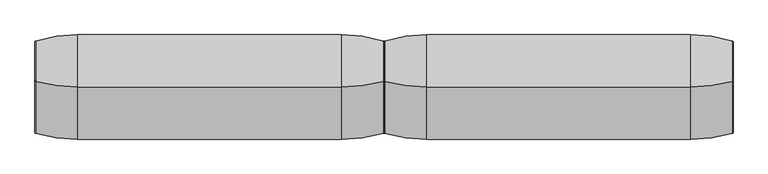
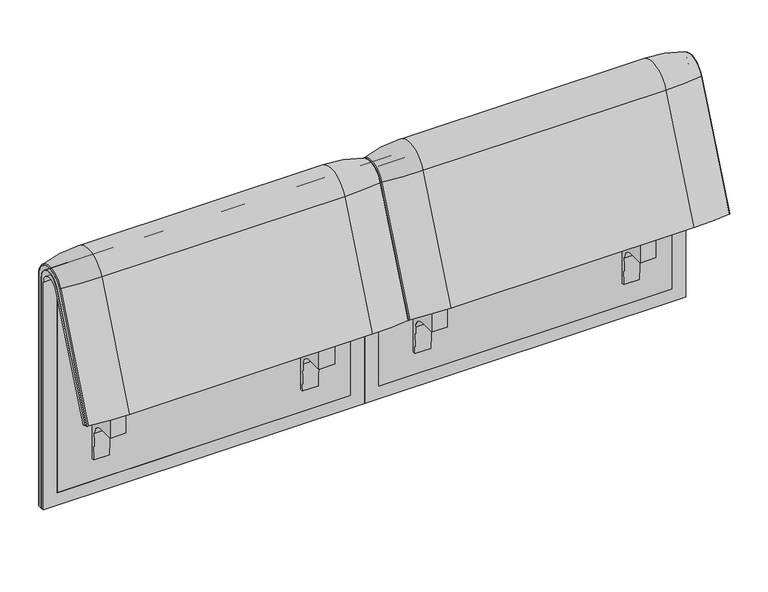
"""IFC4 building model written with IfcOpenShell, lengths in millimetres: furniture geometry."""

from ifc_helpers import new_model, si_unit, point, frame, frame_2d, origin, place, context, project, spatial, polyline, circle_curve, ellipse_curve, trimmed, segment, composite_curve, outline, extrude, source, transform, mapped, element, save
from ifc_brep_helpers import plane_surface, cylinder_surface, revolved_surface, advanced_brep


def furniture_b413fe92(model_context):
    return source(origin(), model_context, "Body", "SolidModel", [
        advanced_brep(
        [(1224.0215056, 351.0000061, 101.8476716), (1224.0215056, 359.7858817, 101.8476716), (1224.0215056, 359.7858817, 720.3417731), (1224.0215056, 292.4403877, 733.7122262), (1224.0215056, 170.1966807, 437.98305), (1224.0215056, 175.0204081, 435.9866665), (1224.0215056, 296.2458652, 723.9869215), (1224.0215056, 351.0000061, 712.9272623), (408.0402568, 351.0000061, 101.8476716), (408.0402568, 351.0000061, 712.9272623), (408.0402568, 296.2720241, 723.9759107), (408.0402568, 175.0204081, 435.9866665), (408.0402568, 170.1966807, 437.98305), (408.0402568, 292.4403877, 733.7122262), (408.0402568, 359.7858817, 720.3417731), (408.0402568, 359.7858817, 101.8476716), (1189.1049615, 292.4403877, 733.7122262), (1189.1049615, 176.0980387, 452.25948), (442.9237127, 176.0980387, 452.25948), (442.9237127, 292.4403877, 733.7122262), (442.9237127, 296.2458652, 723.9869215), (442.9237127, 181.0136548, 450.2250668), (1189.1049615, 181.0136548, 450.2250668), (1189.1049615, 296.2458652, 723.9869215), (1189.1049615, 351.0000061, 712.9272623), (1189.1049615, 351.0000061, 135.3766997), (442.9237127, 351.0000061, 135.3766997), (442.9237127, 351.0000061, 712.9272623), (442.9237127, 359.7858817, 720.3417731), (442.9237127, 359.7858817, 135.3766997), (1189.1049615, 359.7858817, 135.3766997), (1189.1049615, 359.7858817, 720.3417731)],
        [
            (0, 1),
            (1, 2),
            (2, 3, circle_curve(frame((1224.0215056, 324.7858817, 720.3417731), z_axis=(1.0, 0.0, 0.0), x_axis=(0.0, -1.0, 0.0)), 35.0)),
            (3, 4),
            (4, 5),
            (5, 6),
            (6, 7, circle_curve(frame((1224.0215056, 322.520748, 712.9272623), z_axis=(-1.0, 0.0, 0.0), x_axis=(0.0, -1.0, 0.0)), 28.479258)),
            (7, 0),
            (8, 9),
            (9, 10, circle_curve(frame((408.0402568, 322.520748, 712.9272623), z_axis=(1.0, 0.0, 0.0), x_axis=(0.0, -1.0, 0.0)), 28.479258)),
            (10, 11),
            (11, 12),
            (12, 13),
            (13, 14, circle_curve(frame((408.0402568, 324.7858817, 720.3417731), z_axis=(-1.0, 0.0, 0.0), x_axis=(0.0, -1.0, 0.0)), 35.0)),
            (14, 15),
            (15, 8),
            (3, 16),
            (16, 17),
            (17, 18),
            (18, 19),
            (19, 13),
            (12, 4),
            (11, 5),
            (10, 20),
            (20, 21),
            (21, 22),
            (22, 23),
            (23, 6),
            (7, 24),
            (24, 25),
            (25, 26),
            (26, 27),
            (27, 9),
            (8, 0),
            (15, 1),
            (14, 28),
            (28, 29),
            (29, 30),
            (30, 31),
            (31, 2),
            (31, 16, circle_curve(frame((1189.1049615, 324.7858817, 720.3417731), z_axis=(1.0, 0.0, 0.0), x_axis=(0.0, -1.0, 0.0)), 35.0)),
            (19, 28, circle_curve(frame((442.9237127, 324.7858817, 720.3417731), z_axis=(-1.0, 0.0, 0.0), x_axis=(0.0, -1.0, 0.0)), 35.0)),
            (23, 24, circle_curve(frame((1189.1049615, 322.520748, 712.9272623), z_axis=(-1.0, 0.0, 0.0), x_axis=(0.0, -1.0, 0.0)), 28.479258)),
            (27, 20, circle_curve(frame((442.9237127, 322.520748, 712.9272623), z_axis=(1.0, 0.0, 0.0), x_axis=(0.0, -1.0, 0.0)), 28.479258)),
            (22, 17),
            (30, 25),
            (26, 29),
            (18, 21),
        ],
        [
            plane_surface(frame((1224.0215056, 359.7858817, 101.8476716), z_axis=(1.0, 0.0, 0.0), x_axis=(0.0, 1.0, 0.0))),
            plane_surface(frame((408.0402568, 359.7858817, 101.8476716), z_axis=(-1.0, 0.0, 0.0), x_axis=(0.0, -1.0, 0.0))),
            plane_surface(frame((1224.0215056, 292.4403877, 733.7122262), z_axis=(0.0, -0.9241569717933176, 0.3820129467515535), x_axis=(-1.0, 0.0, 0.0))),
            plane_surface(frame((1224.0215056, 170.1966807, 437.98305), z_axis=(0.0, -0.38241039441983893, -0.9239925812687368), x_axis=(-1.0, 0.0, 0.0))),
            plane_surface(frame((1224.0215056, 175.0204081, 435.9866665), z_axis=(0.0, 0.921678643444566, -0.3879542218073993), x_axis=(-1.0, 0.0, 0.0))),
            plane_surface(frame((1224.0215056, 351.0000061, 712.9272623), z_axis=(0.0, -1.0, 0.0), x_axis=(-1.0, 0.0, 0.0))),
            plane_surface(frame((1224.0215056, 351.0000061, 101.8476716), z_axis=(0.0, 0.0, -1.0), x_axis=(-1.0, 0.0, 0.0))),
            plane_surface(frame((1224.0215056, 359.7858817, 101.8476716), z_axis=(0.0, 1.0, 0.0), x_axis=(-1.0, 0.0, 0.0))),
            cylinder_surface(frame((408.0402568, 324.7858817, 720.3417731), z_axis=(1.0, 0.0, 0.0), x_axis=(0.0, -1.0, 0.0)), 35.0),
            revolved_surface(polyline([(1189.1049615, 294.04149, 712.9272623), (1224.0215056, 294.04149, 712.9272623)]), (408.0402568, 322.520748, 712.9272623), (-1.0, 0.0, 0.0)),
            revolved_surface(polyline([(408.0402568, 294.04149, 712.9272623), (442.9237127, 294.04149, 712.9272623)]), (408.0402568, 322.520748, 712.9272623), (-1.0, 0.0, 0.0)),
            plane_surface(frame((1189.1049615, 359.7858817, 135.3766997), z_axis=(-1.0, 0.0, 0.0), x_axis=(0.0, 1.0, 0.0))),
            plane_surface(frame((442.9237127, 359.7858817, 135.3766997), z_axis=(1.0, 0.0, 0.0), x_axis=(0.0, -1.0, 0.0))),
            plane_surface(frame((1189.1049615, 166.9120641, 456.0612553), z_axis=(0.0, 0.38241039441982605, 0.9239925812687422), x_axis=(-1.0, 0.0, 0.0))),
            plane_surface(frame((1189.1049615, 344.7858817, 135.3766997), z_axis=(0.0, 0.0, 1.0), x_axis=(-1.0, 0.0, 0.0))),
        ],
        [
            (0, [[1, 2, 3, 4, 5, 6, 7, 8]]),
            (1, [[9, 10, 11, 12, 13, 14, 15, 16]]),
            (2, [[-4, 17, 18, 19, 20, 21, -13, 22]]),
            (3, [[-5, -22, -12, 23]]),
            (4, [[-6, -23, -11, 24, 25, 26, 27, 28]]),
            (5, [[-8, 29, 30, 31, 32, 33, -9, 34]]),
            (6, [[-1, -34, -16, 35]]),
            (7, [[-2, -35, -15, 36, 37, 38, 39, 40]]),
            (8, [[-3, -40, 41, -17]]),
            (8, [[-14, -21, 42, -36]]),
            (9, [[-7, -28, 43, -29]]),
            (10, [[-10, -33, 44, -24]]),
            (11, [[45, -18, -41, -39, 46, -30, -43, -27]]),
            (12, [[47, -37, -42, -20, 48, -25, -44, -32]]),
            (13, [[-45, -26, -48, -19]]),
            (14, [[-46, -38, -47, -31]]),
        ],
    ),
        advanced_brep(
        [(1189.1049615, 351.0000061, 135.3766997), (1189.1049615, 359.7858817, 135.3766997), (1189.1049615, 359.7858817, 720.3417731), (1189.1049615, 292.4403877, 733.7122262), (1189.1049615, 176.0980387, 452.25948), (1189.1049615, 181.0136548, 450.2250668), (1189.1049615, 296.2458652, 723.9869215), (1189.1049615, 351.0000061, 712.9272623), (442.9237127, 351.0000061, 135.3766997), (442.9237127, 351.0000061, 712.9272623), (442.9237127, 296.2720241, 723.9759107), (442.9237127, 181.0136548, 450.2250668), (442.9237127, 176.0980387, 452.25948), (442.9237127, 292.4403877, 733.7122262), (442.9237127, 359.7858817, 720.3417731), (442.9237127, 359.7858817, 135.3766997)],
        [
            (0, 1),
            (1, 2),
            (2, 3, circle_curve(frame((1189.1049615, 324.7858817, 720.3417731), z_axis=(1.0, 0.0, 0.0), x_axis=(0.0, -1.0, 0.0)), 35.0)),
            (3, 4),
            (4, 5),
            (5, 6),
            (6, 7, circle_curve(frame((1189.1049615, 322.520748, 712.9272623), z_axis=(-1.0, 0.0, 0.0), x_axis=(0.0, -1.0, 0.0)), 28.479258)),
            (7, 0),
            (8, 9),
            (9, 10, circle_curve(frame((442.9237127, 322.520748, 712.9272623), z_axis=(1.0, 0.0, 0.0), x_axis=(0.0, -1.0, 0.0)), 28.479258)),
            (10, 11),
            (11, 12),
            (12, 13),
            (13, 14, circle_curve(frame((442.9237127, 324.7858817, 720.3417731), z_axis=(-1.0, 0.0, 0.0), x_axis=(0.0, -1.0, 0.0)), 35.0)),
            (14, 15),
            (15, 8),
            (3, 13),
            (12, 4),
            (11, 5),
            (10, 6),
            (7, 9),
            (8, 0),
            (15, 1),
            (14, 2),
        ],
        [
            plane_surface(frame((1189.1049615, 359.7858817, 135.3766997), z_axis=(1.0, 0.0, 0.0), x_axis=(0.0, 1.0, 0.0))),
            plane_surface(frame((442.9237127, 359.7858817, 135.3766997), z_axis=(-1.0, 0.0, 0.0), x_axis=(0.0, -1.0, 0.0))),
            plane_surface(frame((1189.1049615, 292.4403877, 733.7122262), z_axis=(0.0, -0.9241569717933176, 0.3820129467515535), x_axis=(-1.0, 0.0, 0.0))),
            plane_surface(frame((1189.1049615, 176.0980387, 452.25948), z_axis=(0.0, -0.38241039441982716, -0.9239925812687417), x_axis=(-1.0, 0.0, 0.0))),
            plane_surface(frame((1189.1049615, 181.0136548, 450.2250668), z_axis=(0.0, 0.921678643444566, -0.3879542218073993), x_axis=(-1.0, 0.0, 0.0))),
            plane_surface(frame((1189.1049615, 351.0000061, 712.9272623), z_axis=(0.0, -1.0, 0.0), x_axis=(-1.0, 0.0, 0.0))),
            plane_surface(frame((1189.1049615, 351.0000061, 135.3766997), z_axis=(0.0, 0.0, -1.0), x_axis=(-1.0, 0.0, 0.0))),
            plane_surface(frame((1189.1049615, 359.7858817, 135.3766997), z_axis=(0.0, 1.0, 0.0), x_axis=(-1.0, 0.0, 0.0))),
            cylinder_surface(frame((442.9237127, 324.7858817, 720.3417731), z_axis=(1.0, 0.0, 0.0), x_axis=(0.0, -1.0, 0.0)), 35.0),
            revolved_surface(polyline([(442.9237127, 294.04149, 712.9272623), (1189.1049615, 294.04149, 712.9272623)]), (442.9237127, 322.520748, 712.9272623), (-1.0, 0.0, 0.0)),
        ],
        [
            (0, [[1, 2, 3, 4, 5, 6, 7, 8]]),
            (1, [[9, 10, 11, 12, 13, 14, 15, 16]]),
            (2, [[-4, 17, -13, 18]]),
            (3, [[-5, -18, -12, 19]]),
            (4, [[-6, -19, -11, 20]]),
            (5, [[-8, 21, -9, 22]]),
            (6, [[-1, -22, -16, 23]]),
            (7, [[-2, -23, -15, 24]]),
            (8, [[-3, -24, -14, -17]]),
            (9, [[-7, -20, -10, -21]]),
        ],
    ),
        extrude(outline(composite_curve([segment(trimmed(circle_curve(frame_2d((305.0000061, 379.9223263)), 30.0), [point((305.0000061, 349.9223263))], [point((335.0000061, 379.9223263))], True, "CARTESIAN"), True, "CONTINUOUS"), segment(polyline([(335.0000061, 379.9223263), (335.0000061, 515.0657595)]), True, "CONTINUOUS"), segment(trimmed(circle_curve(frame_2d((305.0000061, 515.0657595)), 30.0), [point((335.0000061, 515.0657595))], [point((316.7219399, 542.6809051))], True, "CARTESIAN"), True, "CONTINUOUS"), segment(polyline([(316.7219399, 542.6809051), (257.4911714, 567.8228747)]), True, "CONTINUOUS"), segment(trimmed(circle_curve(frame_2d((251.6302045, 554.0153019)), 15.0), [point((257.4911714, 567.8228747))], [point((238.0355877, 560.3545758))], True, "CARTESIAN"), True, "CONTINUOUS"), segment(polyline([(238.0355877, 560.3545758), (222.2725218, 526.5505721), (213.7507451, 529.5682915), (296.3054528, 724.0549949)]), True, "CONTINUOUS"), segment(trimmed(circle_curve(frame_2d((322.520748, 712.9272623)), 28.479258), [point((296.3054528, 724.0549949))], [point((351.0000061, 712.9272623))], False, "CARTESIAN"), True, "CONTINUOUS"), segment(polyline([(351.0000061, 712.9272623), (351.0000061, 197.0551771), (343.3075759, 197.0551771), (339.4064861, 271.492405)]), True, "CONTINUOUS"), segment(trimmed(circle_curve(frame_2d((309.4476, 269.9223263)), 30.0), [point((339.4064861, 271.492405))], [point((309.4476, 299.9223263))], True, "CARTESIAN"), True, "CONTINUOUS"), segment(polyline([(309.4476, 299.9223263), (270.0000061, 299.9223263), (270.0000061, 359.9223263), (275.0000061, 359.9223263)]), True, "CONTINUOUS"), segment(trimmed(circle_curve(frame_2d((285.0000061, 359.9223263)), 10.0), [point((275.0000061, 359.9223263))], [point((285.0000061, 349.9223263))], True, "CARTESIAN"), True, "CONTINUOUS"), segment(polyline([(285.0000061, 349.9223263), (305.0000061, 349.9223263)]), True, "CONTINUOUS")], self_intersect=False), holes=[composite_curve([segment(polyline([(337.5000061, 576.3274105), (337.5000061, 716.7072663)]), True, "CONTINUOUS"), segment(trimmed(circle_curve(frame_2d((322.5000061, 716.7072663)), 15.0), [point((337.5000061, 716.7072663))], [point((308.9053893, 723.0465402))], True, "CARTESIAN"), True, "CONTINUOUS"), segment(polyline([(308.9053893, 723.0465402), (253.6256191, 604.4986904)]), True, "CONTINUOUS"), segment(trimmed(circle_curve(frame_2d((271.7517748, 596.0463251)), 20.0), [point((253.6256191, 604.4986904))], [point((265.0756376, 577.1934953))], True, "CARTESIAN"), True, "CONTINUOUS"), segment(polyline([(265.0756376, 577.1934953), (314.1406626, 559.8186587)]), True, "CONTINUOUS"), segment(trimmed(circle_curve(frame_2d((319.9867182, 576.3274105)), 17.5132879), [point((314.1406626, 559.8186587))], [point((337.5000061, 576.3274105))], True, "CARTESIAN"), True, "CONTINUOUS")], self_intersect=False)]), frame((1061.0091339, 0.0, 0.0), z_axis=(1.0, 0.0, 0.0), x_axis=(0.0, 1.0, 0.0)), (0.0, 0.0, 1.0), 40.0),
        advanced_brep(
        [(1124.0215056, 388.2902376, 100.5089435), (1221.8828771, 373.93893, 100.5089435), (1224.0215056, 371.0652495, 100.5089435), (1224.0215056, 359.7858817, 100.5089435), (408.0071685, 359.7858817, 100.5089435), (408.0071685, 371.0652495, 100.5089435), (410.1457971, 373.93893, 100.5089435), (508.0071685, 388.2902376, 100.5089435), (508.0071685, 388.2902376, 720.3417731), (1124.0215056, 388.2902376, 720.3417731), (1221.8828771, 373.93893, 720.3417731), (1224.0215056, 371.0652495, 720.3417731), (1224.0215056, 282.0164812, 738.0210907), (1224.0215056, 159.7723383, 442.2908598), (1224.0215056, 170.1962447, 437.9819952), (1224.0215056, 292.4403877, 733.7122262), (1224.0215056, 359.7858817, 720.3417731), (408.0071685, 359.7858817, 720.3417731), (1124.0215056, 143.8537454, 448.8710282), (508.0071685, 143.8537454, 448.8710282), (410.1457971, 157.1166065, 443.3886429), (408.0071685, 159.7723383, 442.2908598), (408.0071685, 170.1962447, 437.9819952), (1221.8828771, 157.1166065, 443.3886429), (1124.0215056, 266.0978884, 744.6012592), (508.0071685, 266.0978884, 744.6012592), (1221.8828771, 279.3607494, 739.1188739), (408.0071685, 292.4403877, 733.7122262), (408.0071685, 282.0164812, 738.0210907), (408.0071685, 371.0652495, 720.3417731), (410.1457971, 373.93893, 720.3417731), (410.1457971, 279.3607494, 739.1188739)],
        [
            (0, 1, circle_curve(frame((1124.0215056, 47.4569043, 100.5089435), z_axis=(0.0, 0.0, -1.0), x_axis=(0.0, -1.0, 0.0)), 340.8333333)),
            (1, 2, circle_curve(frame((1221.0215056, 371.0652495, 100.5089435), z_axis=(0.0, 0.0, -1.0), x_axis=(1.0, 0.0, 0.0)), 3.0)),
            (2, 3),
            (3, 4),
            (4, 5),
            (5, 6, circle_curve(frame((411.0071685, 371.0652495, 100.5089435), z_axis=(0.0, 0.0, -1.0), x_axis=(-1.0, 0.0, 0.0)), 3.0)),
            (6, 7, circle_curve(frame((508.0071685, 47.4569043, 100.5089435), z_axis=(0.0, 0.0, -1.0), x_axis=(0.0, -1.0, 0.0)), 340.8333333)),
            (7, 0),
            (7, 8),
            (8, 9),
            (9, 0),
            (9, 10, circle_curve(frame((1124.0215056, 47.4569043, 720.3417731), z_axis=(0.0, 0.0, -1.0), x_axis=(0.0, -1.0, 0.0)), 340.8333333)),
            (10, 1),
            (10, 11, circle_curve(frame((1221.0215056, 371.0652495, 720.3417731), z_axis=(0.0, 0.0, -1.0), x_axis=(1.0, 0.0, 0.0)), 3.0)),
            (11, 2),
            (11, 12, circle_curve(frame((1224.0215056, 324.7858817, 720.3417731), z_axis=(1.0, 0.0, 0.0), x_axis=(0.0, 1.0, 0.0)), 46.2793679)),
            (12, 13),
            (13, 14),
            (14, 15),
            (15, 16, circle_curve(frame((1224.0215056, 324.7858817, 720.3417731), z_axis=(-1.0, 0.0, 0.0), x_axis=(0.0, 1.0, 0.0)), 35.0)),
            (16, 3),
            (16, 17),
            (17, 4),
            (18, 19),
            (19, 20, circle_curve(frame((508.0071685, 458.8372467, 318.6682822), z_axis=(0.0, -0.38201294675155345, -0.9241569717933176), x_axis=(0.0, 0.9241569717933176, -0.38201294675155345)), 340.8333333)),
            (20, 21, circle_curve(frame((411.0071685, 159.7723383, 442.2908598), z_axis=(0.0, -0.38201294675155345, -0.9241569717933176), x_axis=(-1.0, 0.0, 0.0)), 3.0)),
            (21, 22),
            (22, 14),
            (13, 23, circle_curve(frame((1221.0215056, 159.7723383, 442.2908598), z_axis=(0.0, -0.38201294675155345, -0.9241569717933176), x_axis=(1.0, 0.0, 0.0)), 3.0)),
            (23, 18, circle_curve(frame((1124.0215056, 458.8372467, 318.6682822), z_axis=(0.0, -0.38201294675155345, -0.9241569717933176), x_axis=(0.0, 0.9241569717933176, -0.38201294675155345)), 340.8333333)),
            (24, 9, circle_curve(frame((1124.0215056, 324.7858817, 720.3417731), z_axis=(-1.0, 0.0, 0.0), x_axis=(0.0, 1.0, 0.0)), 63.5043559)),
            (8, 25, circle_curve(frame((508.0071685, 324.7858817, 720.3417731), z_axis=(1.0, 0.0, 0.0), x_axis=(0.0, 1.0, 0.0)), 63.5043559)),
            (25, 24),
            (26, 10, circle_curve(frame((1221.8828771, 324.7858817, 720.3417731), z_axis=(-1.0, 0.0, 0.0), x_axis=(0.0, 1.0, 0.0)), 49.1530483)),
            (24, 26, circle_curve(frame((1124.0215056, 581.0813896, 614.3985132), z_axis=(0.0, 0.382012946751556, 0.9241569717933165), x_axis=(0.0, 0.9241569717933165, -0.382012946751556)), 340.8333333)),
            (26, 12, circle_curve(frame((1221.0215056, 282.0164812, 738.0210907), z_axis=(0.0, 0.3820129467515552, 0.9241569717933168), x_axis=(1.0, 0.0, 0.0)), 3.0)),
            (27, 17, circle_curve(frame((408.0071685, 324.7858817, 720.3417731), z_axis=(-1.0, 0.0, 0.0), x_axis=(0.0, 1.0, 0.0)), 35.0)),
            (15, 27),
            (25, 19),
            (18, 24),
            (23, 26),
            (22, 27),
            (21, 28),
            (28, 29, circle_curve(frame((408.0071685, 324.7858817, 720.3417731), z_axis=(-1.0, 0.0, 0.0), x_axis=(0.0, 1.0, 0.0)), 46.2793679)),
            (29, 5),
            (29, 30, circle_curve(frame((411.0071685, 371.0652495, 720.3417731), z_axis=(0.0, 0.0, -1.0), x_axis=(-1.0, 0.0, 0.0)), 3.0)),
            (30, 6),
            (30, 8, circle_curve(frame((508.0071685, 47.4569043, 720.3417731), z_axis=(0.0, 0.0, -1.0), x_axis=(0.0, -1.0, 0.0)), 340.8333333)),
            (31, 30, circle_curve(frame((410.1457971, 324.7858817, 720.3417731), z_axis=(-1.0, 0.0, 0.0), x_axis=(0.0, 1.0, 0.0)), 49.1530483)),
            (28, 31, circle_curve(frame((411.0071685, 282.0164812, 738.0210907), z_axis=(0.0, 0.3820129467515544, 0.9241569717933172), x_axis=(-1.0, 0.0, 0.0)), 3.0)),
            (31, 25, circle_curve(frame((508.0071685, 581.0813896, 614.3985132), z_axis=(0.0, 0.3820129467515532, 0.9241569717933177), x_axis=(0.0, 0.9241569717933177, -0.3820129467515532)), 340.8333333)),
            (20, 31),
        ],
        [
            plane_surface(frame((820.7793603, 359.7858817, 100.5089435), z_axis=(0.0, 0.0, -1.0), x_axis=(1.0, 0.0, 0.0))),
            plane_surface(frame((508.0071685, 388.2902376, 100.5089435), z_axis=(0.0, 1.0, 0.0), x_axis=(0.0, 0.0, 1.0))),
            cylinder_surface(frame((1124.0215056, 47.4569043, 100.5089435), z_axis=(0.0, 0.0, -1.0), x_axis=(0.0, -1.0, 0.0)), 340.8333333),
            cylinder_surface(frame((1221.0215056, 371.0652495, 100.5089435), z_axis=(0.0, 0.0, -1.0), x_axis=(1.0, 0.0, 0.0)), 3.0),
            plane_surface(frame((1224.0215056, 371.0652495, 100.5089435), z_axis=(1.0, 0.0, 0.0), x_axis=(0.0, 0.0, 1.0))),
            plane_surface(frame((1224.0215056, 359.7858817, 100.5089435), z_axis=(0.0, -1.0, 0.0), x_axis=(0.0, 0.0, 1.0))),
            plane_surface(frame((820.7793603, 170.1962447, 437.9819952), z_axis=(0.0, -0.38201294675155345, -0.9241569717933176), x_axis=(1.0, 0.0, 0.0))),
            cylinder_surface(frame((820.7793603, 324.7858817, 720.3417731), z_axis=(1.0, 0.0, 0.0), x_axis=(0.0, 1.0, 0.0)), 63.5043559),
            revolved_surface(trimmed(ellipse_curve(frame((1124.0215056, 47.4569043, 720.3417731), z_axis=(0.0, 0.0, -1.0), x_axis=(0.0, -1.0, 0.0)), 340.8333333, 340.8333333), [point((1124.0215056, 388.2902376, 720.3417731))], [point((1221.8828771, 373.93893, 720.3417731))], True, "CARTESIAN"), (820.7793603, 324.7858817, 720.3417731), (1.0, 0.0, 0.0)),
            revolved_surface(trimmed(ellipse_curve(frame((1221.0215056, 371.0652495, 720.3417731), z_axis=(0.0, 0.0, -1.0), x_axis=(1.0, 0.0, 0.0)), 3.0, 3.0), [point((1221.8828771, 373.93893, 720.3417731))], [point((1224.0215056, 371.0652495, 720.3417731))], True, "CARTESIAN"), (820.7793603, 324.7858817, 720.3417731), (1.0, 0.0, 0.0)),
            revolved_surface(polyline([(1224.0215056, 359.7858817, 720.3417731), (408.0071685, 359.7858817, 720.3417731)]), (820.7793603, 324.7858817, 720.3417731), (1.0, 0.0, 0.0)),
            plane_surface(frame((508.0071685, 266.0978884, 744.6012592), z_axis=(0.0, -0.9241569717933176, 0.38201294675155356), x_axis=(0.0, -0.38201294675155356, -0.9241569717933176))),
            cylinder_surface(frame((1124.0215056, 581.0813896, 614.3985132), z_axis=(0.0, 0.38201294675155345, 0.9241569717933176), x_axis=(0.0, 0.9241569717933176, -0.38201294675155345)), 340.8333333),
            cylinder_surface(frame((1221.0215056, 282.0164812, 738.0210907), z_axis=(0.0, 0.38201294675155345, 0.9241569717933176), x_axis=(1.0, 0.0, 0.0)), 3.0),
            plane_surface(frame((1224.0215056, 292.4403877, 733.7122262), z_axis=(0.0, 0.9241569717933176, -0.38201294675155356), x_axis=(0.0, -0.38201294675155356, -0.9241569717933176))),
            plane_surface(frame((408.0071685, 359.7858817, 100.5089435), z_axis=(-1.0, 0.0, 0.0), x_axis=(0.0, 0.0, 1.0))),
            cylinder_surface(frame((411.0071685, 371.0652495, 100.5089435), z_axis=(0.0, 0.0, -1.0), x_axis=(-1.0, 0.0, 0.0)), 3.0),
            cylinder_surface(frame((508.0071685, 47.4569043, 100.5089435), z_axis=(0.0, 0.0, -1.0), x_axis=(0.0, -1.0, 0.0)), 340.8333333),
            revolved_surface(trimmed(ellipse_curve(frame((411.0071685, 371.0652495, 720.3417731), z_axis=(0.0, 0.0, -1.0), x_axis=(-1.0, 0.0, 0.0)), 3.0, 3.0), [point((408.0071685, 371.0652495, 720.3417731))], [point((410.1457971, 373.93893, 720.3417731))], True, "CARTESIAN"), (820.7793603, 324.7858817, 720.3417731), (1.0, 0.0, 0.0)),
            revolved_surface(trimmed(ellipse_curve(frame((508.0071685, 47.4569043, 720.3417731), z_axis=(0.0, 0.0, -1.0), x_axis=(0.0, -1.0, 0.0)), 340.8333333, 340.8333333), [point((410.1457971, 373.93893, 720.3417731))], [point((508.0071685, 388.2902376, 720.3417731))], True, "CARTESIAN"), (820.7793603, 324.7858817, 720.3417731), (1.0, 0.0, 0.0)),
            cylinder_surface(frame((411.0071685, 282.0164812, 738.0210907), z_axis=(0.0, 0.38201294675155345, 0.9241569717933176), x_axis=(-1.0, 0.0, 0.0)), 3.0),
            cylinder_surface(frame((508.0071685, 581.0813896, 614.3985132), z_axis=(0.0, 0.38201294675155345, 0.9241569717933176), x_axis=(0.0, 0.9241569717933176, -0.38201294675155345)), 340.8333333),
        ],
        [
            (0, [[1, 2, 3, 4, 5, 6, 7, 8]]),
            (1, [[-8, 9, 10, 11]]),
            (2, [[-1, -11, 12, 13]]),
            (3, [[-2, -13, 14, 15]]),
            (4, [[-3, -15, 16, 17, 18, 19, 20, 21]]),
            (5, [[-4, -21, 22, 23]]),
            (6, [[24, 25, 26, 27, 28, -18, 29, 30]]),
            (7, [[31, -10, 32, 33]]),
            (8, [[34, -12, -31, 35]]),
            (9, [[-16, -14, -34, 36]]),
            (10, [[37, -22, -20, 38]]),
            (11, [[-33, 39, -24, 40]]),
            (12, [[-35, -40, -30, 41]]),
            (13, [[-36, -41, -29, -17]]),
            (14, [[-38, -19, -28, 42]]),
            (15, [[-5, -23, -37, -42, -27, 43, 44, 45]]),
            (16, [[-6, -45, 46, 47]]),
            (17, [[-7, -47, 48, -9]]),
            (18, [[49, -46, -44, 50]]),
            (19, [[-32, -48, -49, 51]]),
            (20, [[-50, -43, -26, 52]]),
            (21, [[-51, -52, -25, -39]]),
        ],
    ),
        extrude(outline(composite_curve([segment(trimmed(circle_curve(frame_2d((305.0000061, 379.9223263)), 30.0), [point((305.0000061, 349.9223263))], [point((335.0000061, 379.9223263))], True, "CARTESIAN"), True, "CONTINUOUS"), segment(polyline([(335.0000061, 379.9223263), (335.0000061, 515.0657595)]), True, "CONTINUOUS"), segment(trimmed(circle_curve(frame_2d((305.0000061, 515.0657595)), 30.0), [point((335.0000061, 515.0657595))], [point((316.7219399, 542.6809051))], True, "CARTESIAN"), True, "CONTINUOUS"), segment(polyline([(316.7219399, 542.6809051), (257.4911714, 567.8228747)]), True, "CONTINUOUS"), segment(trimmed(circle_curve(frame_2d((251.6302045, 554.0153019)), 15.0), [point((257.4911714, 567.8228747))], [point((238.0355877, 560.3545758))], True, "CARTESIAN"), True, "CONTINUOUS"), segment(polyline([(238.0355877, 560.3545758), (222.2725218, 526.5505721), (213.7507451, 529.5682915), (296.3054528, 724.0549949)]), True, "CONTINUOUS"), segment(trimmed(circle_curve(frame_2d((322.520748, 712.9272623)), 28.479258), [point((296.3054528, 724.0549949))], [point((351.0000061, 712.9272623))], False, "CARTESIAN"), True, "CONTINUOUS"), segment(polyline([(351.0000061, 712.9272623), (351.0000061, 197.0551771), (343.3075759, 197.0551771), (339.4064861, 271.492405)]), True, "CONTINUOUS"), segment(trimmed(circle_curve(frame_2d((309.4476, 269.9223263)), 30.0), [point((339.4064861, 271.492405))], [point((309.4476, 299.9223263))], True, "CARTESIAN"), True, "CONTINUOUS"), segment(polyline([(309.4476, 299.9223263), (270.0000061, 299.9223263), (270.0000061, 359.9223263), (275.0000061, 359.9223263)]), True, "CONTINUOUS"), segment(trimmed(circle_curve(frame_2d((285.0000061, 359.9223263)), 10.0), [point((275.0000061, 359.9223263))], [point((285.0000061, 349.9223263))], True, "CARTESIAN"), True, "CONTINUOUS"), segment(polyline([(285.0000061, 349.9223263), (305.0000061, 349.9223263)]), True, "CONTINUOUS")], self_intersect=False), holes=[composite_curve([segment(polyline([(337.5000061, 576.3274105), (337.5000061, 716.7072663)]), True, "CONTINUOUS"), segment(trimmed(circle_curve(frame_2d((322.5000061, 716.7072663)), 15.0), [point((337.5000061, 716.7072663))], [point((308.9053893, 723.0465402))], True, "CARTESIAN"), True, "CONTINUOUS"), segment(polyline([(308.9053893, 723.0465402), (253.6256191, 604.4986904)]), True, "CONTINUOUS"), segment(trimmed(circle_curve(frame_2d((271.7517748, 596.0463251)), 20.0), [point((253.6256191, 604.4986904))], [point((265.0756376, 577.1934953))], True, "CARTESIAN"), True, "CONTINUOUS"), segment(polyline([(265.0756376, 577.1934953), (314.1406626, 559.8186587)]), True, "CONTINUOUS"), segment(trimmed(circle_curve(frame_2d((319.9867182, 576.3274105)), 17.5132879), [point((314.1406626, 559.8186587))], [point((337.5000061, 576.3274105))], True, "CARTESIAN"), True, "CONTINUOUS")], self_intersect=False)]), frame((531.0195403, 0.0, 0.0), z_axis=(1.0, 0.0, 0.0), x_axis=(0.0, 1.0, 0.0)), (0.0, 0.0, 1.0), 40.0),
        advanced_brep(
        [(408.0071685, 351.0000061, 101.8476716), (408.0071685, 359.7858817, 101.8476716), (408.0071685, 359.7858817, 720.3417731), (408.0071685, 292.4403877, 733.7122262), (408.0071685, 170.1966807, 437.98305), (408.0071685, 175.0204081, 435.9866665), (408.0071685, 296.2458652, 723.9869215), (408.0071685, 351.0000061, 712.9272623), (-407.9740803, 351.0000061, 101.8476716), (-407.9740803, 351.0000061, 712.9272623), (-407.9740803, 296.2720241, 723.9759107), (-407.9740803, 175.0204081, 435.9866665), (-407.9740803, 170.1966807, 437.98305), (-407.9740803, 292.4403877, 733.7122262), (-407.9740803, 359.7858817, 720.3417731), (-407.9740803, 359.7858817, 101.8476716), (373.0906244, 292.4403877, 733.7122262), (373.0906244, 176.0980387, 452.25948), (-373.0906244, 176.0980387, 452.25948), (-373.0906244, 292.4403877, 733.7122262), (-373.0906244, 296.2458652, 723.9869215), (-373.0906244, 181.0136548, 450.2250668), (373.0906244, 181.0136548, 450.2250668), (373.0906244, 296.2458652, 723.9869215), (373.0906244, 351.0000061, 712.9272623), (373.0906244, 351.0000061, 135.3766997), (-373.0906244, 351.0000061, 135.3766997), (-373.0906244, 351.0000061, 712.9272623), (-373.0906244, 359.7858817, 720.3417731), (-373.0906244, 359.7858817, 135.3766997), (373.0906244, 359.7858817, 135.3766997), (373.0906244, 359.7858817, 720.3417731)],
        [
            (0, 1),
            (1, 2),
            (2, 3, circle_curve(frame((408.0071685, 324.7858817, 720.3417731), z_axis=(1.0, 0.0, 0.0), x_axis=(0.0, -1.0, 0.0)), 35.0)),
            (3, 4),
            (4, 5),
            (5, 6),
            (6, 7, circle_curve(frame((408.0071685, 322.520748, 712.9272623), z_axis=(-1.0, 0.0, 0.0), x_axis=(0.0, -1.0, 0.0)), 28.479258)),
            (7, 0),
            (8, 9),
            (9, 10, circle_curve(frame((-407.9740803, 322.520748, 712.9272623), z_axis=(1.0, 0.0, 0.0), x_axis=(0.0, -1.0, 0.0)), 28.479258)),
            (10, 11),
            (11, 12),
            (12, 13),
            (13, 14, circle_curve(frame((-407.9740803, 324.7858817, 720.3417731), z_axis=(-1.0, 0.0, 0.0), x_axis=(0.0, -1.0, 0.0)), 35.0)),
            (14, 15),
            (15, 8),
            (3, 16),
            (16, 17),
            (17, 18),
            (18, 19),
            (19, 13),
            (12, 4),
            (11, 5),
            (10, 20),
            (20, 21),
            (21, 22),
            (22, 23),
            (23, 6),
            (7, 24),
            (24, 25),
            (25, 26),
            (26, 27),
            (27, 9),
            (8, 0),
            (15, 1),
            (14, 28),
            (28, 29),
            (29, 30),
            (30, 31),
            (31, 2),
            (31, 16, circle_curve(frame((373.0906244, 324.7858817, 720.3417731), z_axis=(1.0, 0.0, 0.0), x_axis=(0.0, -1.0, 0.0)), 35.0)),
            (19, 28, circle_curve(frame((-373.0906244, 324.7858817, 720.3417731), z_axis=(-1.0, 0.0, 0.0), x_axis=(0.0, -1.0, 0.0)), 35.0)),
            (23, 24, circle_curve(frame((373.0906244, 322.520748, 712.9272623), z_axis=(-1.0, 0.0, 0.0), x_axis=(0.0, -1.0, 0.0)), 28.479258)),
            (27, 20, circle_curve(frame((-373.0906244, 322.520748, 712.9272623), z_axis=(1.0, 0.0, 0.0), x_axis=(0.0, -1.0, 0.0)), 28.479258)),
            (22, 17),
            (30, 25),
            (26, 29),
            (18, 21),
        ],
        [
            plane_surface(frame((408.0071685, 359.7858817, 101.8476716), z_axis=(1.0, 0.0, 0.0), x_axis=(0.0, 1.0, 0.0))),
            plane_surface(frame((-407.9740803, 359.7858817, 101.8476716), z_axis=(-1.0, 0.0, 0.0), x_axis=(0.0, -1.0, 0.0))),
            plane_surface(frame((408.0071685, 292.4403877, 733.7122262), z_axis=(0.0, -0.9241569717933176, 0.3820129467515535), x_axis=(-1.0, 0.0, 0.0))),
            plane_surface(frame((408.0071685, 170.1966807, 437.98305), z_axis=(0.0, -0.38241039441983893, -0.9239925812687368), x_axis=(-1.0, 0.0, 0.0))),
            plane_surface(frame((408.0071685, 175.0204081, 435.9866665), z_axis=(0.0, 0.921678643444566, -0.3879542218073993), x_axis=(-1.0, 0.0, 0.0))),
            plane_surface(frame((408.0071685, 351.0000061, 712.9272623), z_axis=(0.0, -1.0, 0.0), x_axis=(-1.0, 0.0, 0.0))),
            plane_surface(frame((408.0071685, 351.0000061, 101.8476716), z_axis=(0.0, 0.0, -1.0), x_axis=(-1.0, 0.0, 0.0))),
            plane_surface(frame((408.0071685, 359.7858817, 101.8476716), z_axis=(0.0, 1.0, 0.0), x_axis=(-1.0, 0.0, 0.0))),
            cylinder_surface(frame((-407.9740803, 324.7858817, 720.3417731), z_axis=(1.0, 0.0, 0.0), x_axis=(0.0, -1.0, 0.0)), 35.0),
            revolved_surface(polyline([(373.09062439999997, 294.04149, 712.9272623), (408.0071685, 294.04149, 712.9272623)]), (-407.9740803, 322.520748, 712.9272623), (-1.0, 0.0, 0.0)),
            revolved_surface(polyline([(-407.9740803, 294.04149, 712.9272623), (-373.0906244, 294.04149, 712.9272623)]), (-407.9740803, 322.520748, 712.9272623), (-1.0, 0.0, 0.0)),
            plane_surface(frame((373.0906244, 359.7858817, 135.3766997), z_axis=(-1.0, 0.0, 0.0), x_axis=(0.0, 1.0, 0.0))),
            plane_surface(frame((-373.0906244, 359.7858817, 135.3766997), z_axis=(1.0, 0.0, 0.0), x_axis=(0.0, -1.0, 0.0))),
            plane_surface(frame((373.0906244, 166.9120641, 456.0612553), z_axis=(0.0, 0.38241039441982605, 0.9239925812687422), x_axis=(-1.0, 0.0, 0.0))),
            plane_surface(frame((373.0906244, 344.7858817, 135.3766997), z_axis=(0.0, 0.0, 1.0), x_axis=(-1.0, 0.0, 0.0))),
        ],
        [
            (0, [[1, 2, 3, 4, 5, 6, 7, 8]]),
            (1, [[9, 10, 11, 12, 13, 14, 15, 16]]),
            (2, [[-4, 17, 18, 19, 20, 21, -13, 22]]),
            (3, [[-5, -22, -12, 23]]),
            (4, [[-6, -23, -11, 24, 25, 26, 27, 28]]),
            (5, [[-8, 29, 30, 31, 32, 33, -9, 34]]),
            (6, [[-1, -34, -16, 35]]),
            (7, [[-2, -35, -15, 36, 37, 38, 39, 40]]),
            (8, [[-3, -40, 41, -17]]),
            (8, [[-14, -21, 42, -36]]),
            (9, [[-7, -28, 43, -29]]),
            (10, [[-10, -33, 44, -24]]),
            (11, [[45, -18, -41, -39, 46, -30, -43, -27]]),
            (12, [[47, -37, -42, -20, 48, -25, -44, -32]]),
            (13, [[-45, -26, -48, -19]]),
            (14, [[-46, -38, -47, -31]]),
        ],
    ),
        advanced_brep(
        [(373.0906244, 351.0000061, 135.3766997), (373.0906244, 359.7858817, 135.3766997), (373.0906244, 359.7858817, 720.3417731), (373.0906244, 292.4403877, 733.7122262), (373.0906244, 176.0980387, 452.25948), (373.0906244, 181.0136548, 450.2250668), (373.0906244, 296.2458652, 723.9869215), (373.0906244, 351.0000061, 712.9272623), (-373.0906244, 351.0000061, 135.3766997), (-373.0906244, 351.0000061, 712.9272623), (-373.0906244, 296.2720241, 723.9759107), (-373.0906244, 181.0136548, 450.2250668), (-373.0906244, 176.0980387, 452.25948), (-373.0906244, 292.4403877, 733.7122262), (-373.0906244, 359.7858817, 720.3417731), (-373.0906244, 359.7858817, 135.3766997)],
        [
            (0, 1),
            (1, 2),
            (2, 3, circle_curve(frame((373.0906244, 324.7858817, 720.3417731), z_axis=(1.0, 0.0, 0.0), x_axis=(0.0, -1.0, 0.0)), 35.0)),
            (3, 4),
            (4, 5),
            (5, 6),
            (6, 7, circle_curve(frame((373.0906244, 322.520748, 712.9272623), z_axis=(-1.0, 0.0, 0.0), x_axis=(0.0, -1.0, 0.0)), 28.479258)),
            (7, 0),
            (8, 9),
            (9, 10, circle_curve(frame((-373.0906244, 322.520748, 712.9272623), z_axis=(1.0, 0.0, 0.0), x_axis=(0.0, -1.0, 0.0)), 28.479258)),
            (10, 11),
            (11, 12),
            (12, 13),
            (13, 14, circle_curve(frame((-373.0906244, 324.7858817, 720.3417731), z_axis=(-1.0, 0.0, 0.0), x_axis=(0.0, -1.0, 0.0)), 35.0)),
            (14, 15),
            (15, 8),
            (3, 13),
            (12, 4),
            (11, 5),
            (10, 6),
            (7, 9),
            (8, 0),
            (15, 1),
            (14, 2),
        ],
        [
            plane_surface(frame((373.0906244, 359.7858817, 135.3766997), z_axis=(1.0, 0.0, 0.0), x_axis=(0.0, 1.0, 0.0))),
            plane_surface(frame((-373.0906244, 359.7858817, 135.3766997), z_axis=(-1.0, 0.0, 0.0), x_axis=(0.0, -1.0, 0.0))),
            plane_surface(frame((373.0906244, 292.4403877, 733.7122262), z_axis=(0.0, -0.9241569717933176, 0.3820129467515535), x_axis=(-1.0, 0.0, 0.0))),
            plane_surface(frame((373.0906244, 176.0980387, 452.25948), z_axis=(0.0, -0.38241039441982716, -0.9239925812687417), x_axis=(-1.0, 0.0, 0.0))),
            plane_surface(frame((373.0906244, 181.0136548, 450.2250668), z_axis=(0.0, 0.921678643444566, -0.3879542218073993), x_axis=(-1.0, 0.0, 0.0))),
            plane_surface(frame((373.0906244, 351.0000061, 712.9272623), z_axis=(0.0, -1.0, 0.0), x_axis=(-1.0, 0.0, 0.0))),
            plane_surface(frame((373.0906244, 351.0000061, 135.3766997), z_axis=(0.0, 0.0, -1.0), x_axis=(-1.0, 0.0, 0.0))),
            plane_surface(frame((373.0906244, 359.7858817, 135.3766997), z_axis=(0.0, 1.0, 0.0), x_axis=(-1.0, 0.0, 0.0))),
            cylinder_surface(frame((-373.0906244, 324.7858817, 720.3417731), z_axis=(1.0, 0.0, 0.0), x_axis=(0.0, -1.0, 0.0)), 35.0),
            revolved_surface(polyline([(-373.0906244, 294.04149, 712.9272623), (373.0906244, 294.04149, 712.9272623)]), (-373.0906244, 322.520748, 712.9272623), (-1.0, 0.0, 0.0)),
        ],
        [
            (0, [[1, 2, 3, 4, 5, 6, 7, 8]]),
            (1, [[9, 10, 11, 12, 13, 14, 15, 16]]),
            (2, [[-4, 17, -13, 18]]),
            (3, [[-5, -18, -12, 19]]),
            (4, [[-6, -19, -11, 20]]),
            (5, [[-8, 21, -9, 22]]),
            (6, [[-1, -22, -16, 23]]),
            (7, [[-2, -23, -15, 24]]),
            (8, [[-3, -24, -14, -17]]),
            (9, [[-7, -20, -10, -21]]),
        ],
    ),
        extrude(outline(composite_curve([segment(trimmed(circle_curve(frame_2d((305.0000061, 379.9223263)), 30.0), [point((305.0000061, 349.9223263))], [point((335.0000061, 379.9223263))], True, "CARTESIAN"), True, "CONTINUOUS"), segment(polyline([(335.0000061, 379.9223263), (335.0000061, 515.0657595)]), True, "CONTINUOUS"), segment(trimmed(circle_curve(frame_2d((305.0000061, 515.0657595)), 30.0), [point((335.0000061, 515.0657595))], [point((316.7219399, 542.6809051))], True, "CARTESIAN"), True, "CONTINUOUS"), segment(polyline([(316.7219399, 542.6809051), (257.4911714, 567.8228747)]), True, "CONTINUOUS"), segment(trimmed(circle_curve(frame_2d((251.6302045, 554.0153019)), 15.0), [point((257.4911714, 567.8228747))], [point((238.0355877, 560.3545758))], True, "CARTESIAN"), True, "CONTINUOUS"), segment(polyline([(238.0355877, 560.3545758), (222.2725218, 526.5505721), (213.7507451, 529.5682915), (296.3054528, 724.0549949)]), True, "CONTINUOUS"), segment(trimmed(circle_curve(frame_2d((322.520748, 712.9272623)), 28.479258), [point((296.3054528, 724.0549949))], [point((351.0000061, 712.9272623))], False, "CARTESIAN"), True, "CONTINUOUS"), segment(polyline([(351.0000061, 712.9272623), (351.0000061, 197.0551771), (343.3075759, 197.0551771), (339.4064861, 271.492405)]), True, "CONTINUOUS"), segment(trimmed(circle_curve(frame_2d((309.4476, 269.9223263)), 30.0), [point((339.4064861, 271.492405))], [point((309.4476, 299.9223263))], True, "CARTESIAN"), True, "CONTINUOUS"), segment(polyline([(309.4476, 299.9223263), (270.0000061, 299.9223263), (270.0000061, 359.9223263), (275.0000061, 359.9223263)]), True, "CONTINUOUS"), segment(trimmed(circle_curve(frame_2d((285.0000061, 359.9223263)), 10.0), [point((275.0000061, 359.9223263))], [point((285.0000061, 349.9223263))], True, "CARTESIAN"), True, "CONTINUOUS"), segment(polyline([(285.0000061, 349.9223263), (305.0000061, 349.9223263)]), True, "CONTINUOUS")], self_intersect=False), holes=[composite_curve([segment(polyline([(337.5000061, 576.3274105), (337.5000061, 716.7072663)]), True, "CONTINUOUS"), segment(trimmed(circle_curve(frame_2d((322.5000061, 716.7072663)), 15.0), [point((337.5000061, 716.7072663))], [point((308.9053893, 723.0465402))], True, "CARTESIAN"), True, "CONTINUOUS"), segment(polyline([(308.9053893, 723.0465402), (253.6256191, 604.4986904)]), True, "CONTINUOUS"), segment(trimmed(circle_curve(frame_2d((271.7517748, 596.0463251)), 20.0), [point((253.6256191, 604.4986904))], [point((265.0756376, 577.1934953))], True, "CARTESIAN"), True, "CONTINUOUS"), segment(polyline([(265.0756376, 577.1934953), (314.1406626, 559.8186587)]), True, "CONTINUOUS"), segment(trimmed(circle_curve(frame_2d((319.9867182, 576.3274105)), 17.5132879), [point((314.1406626, 559.8186587))], [point((337.5000061, 576.3274105))], True, "CARTESIAN"), True, "CONTINUOUS")], self_intersect=False)]), frame((244.9947968, 0.0, 0.0), z_axis=(1.0, 0.0, 0.0), x_axis=(0.0, 1.0, 0.0)), (0.0, 0.0, 1.0), 40.0),
        advanced_brep(
        [(308.0071685, 388.2902376, 100.5089435), (405.86854, 373.93893, 100.5089435), (408.0071685, 371.0652495, 100.5089435), (408.0071685, 359.7858817, 100.5089435), (-408.0071685, 359.7858817, 100.5089435), (-408.0071685, 371.0652495, 100.5089435), (-405.86854, 373.93893, 100.5089435), (-308.0071685, 388.2902376, 100.5089435), (-308.0071685, 388.2902376, 720.3417731), (308.0071685, 388.2902376, 720.3417731), (405.86854, 373.93893, 720.3417731), (408.0071685, 371.0652495, 720.3417731), (408.0071685, 282.0164812, 738.0210907), (408.0071685, 159.7723383, 442.2908598), (408.0071685, 170.1962447, 437.9819952), (408.0071685, 292.4403877, 733.7122262), (408.0071685, 359.7858817, 720.3417731), (-408.0071685, 359.7858817, 720.3417731), (308.0071685, 143.8537454, 448.8710282), (-308.0071685, 143.8537454, 448.8710282), (-405.86854, 157.1166065, 443.3886429), (-408.0071685, 159.7723383, 442.2908598), (-408.0071685, 170.1962447, 437.9819952), (405.86854, 157.1166065, 443.3886429), (308.0071685, 266.0978884, 744.6012592), (-308.0071685, 266.0978884, 744.6012592), (405.86854, 279.3607494, 739.1188739), (-408.0071685, 292.4403877, 733.7122262), (-408.0071685, 282.0164812, 738.0210907), (-408.0071685, 371.0652495, 720.3417731), (-405.86854, 373.93893, 720.3417731), (-405.86854, 279.3607494, 739.1188739)],
        [
            (0, 1, circle_curve(frame((308.0071685, 47.4569043, 100.5089435), z_axis=(0.0, 0.0, -1.0), x_axis=(0.0, -1.0, 0.0)), 340.8333333)),
            (1, 2, circle_curve(frame((405.0071685, 371.0652495, 100.5089435), z_axis=(0.0, 0.0, -1.0), x_axis=(1.0, 0.0, 0.0)), 3.0)),
            (2, 3),
            (3, 4),
            (4, 5),
            (5, 6, circle_curve(frame((-405.0071685, 371.0652495, 100.5089435), z_axis=(0.0, 0.0, -1.0), x_axis=(-1.0, 0.0, 0.0)), 3.0)),
            (6, 7, circle_curve(frame((-308.0071685, 47.4569043, 100.5089435), z_axis=(0.0, 0.0, -1.0), x_axis=(0.0, -1.0, 0.0)), 340.8333333)),
            (7, 0),
            (7, 8),
            (8, 9),
            (9, 0),
            (9, 10, circle_curve(frame((308.0071685, 47.4569043, 720.3417731), z_axis=(0.0, 0.0, -1.0), x_axis=(0.0, -1.0, 0.0)), 340.8333333)),
            (10, 1),
            (10, 11, circle_curve(frame((405.0071685, 371.0652495, 720.3417731), z_axis=(0.0, 0.0, -1.0), x_axis=(1.0, 0.0, 0.0)), 3.0)),
            (11, 2),
            (11, 12, circle_curve(frame((408.0071685, 324.7858817, 720.3417731), z_axis=(1.0, 0.0, 0.0), x_axis=(0.0, 1.0, 0.0)), 46.2793679)),
            (12, 13),
            (13, 14),
            (14, 15),
            (15, 16, circle_curve(frame((408.0071685, 324.7858817, 720.3417731), z_axis=(-1.0, 0.0, 0.0), x_axis=(0.0, 1.0, 0.0)), 35.0)),
            (16, 3),
            (16, 17),
            (17, 4),
            (18, 19),
            (19, 20, circle_curve(frame((-308.0071685, 458.8372467, 318.6682822), z_axis=(0.0, -0.38201294675155345, -0.9241569717933176), x_axis=(0.0, 0.9241569717933176, -0.38201294675155345)), 340.8333333)),
            (20, 21, circle_curve(frame((-405.0071685, 159.7723383, 442.2908598), z_axis=(0.0, -0.38201294675155345, -0.9241569717933176), x_axis=(-1.0, 0.0, 0.0)), 3.0)),
            (21, 22),
            (22, 14),
            (13, 23, circle_curve(frame((405.0071685, 159.7723383, 442.2908598), z_axis=(0.0, -0.38201294675155345, -0.9241569717933176), x_axis=(1.0, 0.0, 0.0)), 3.0)),
            (23, 18, circle_curve(frame((308.0071685, 458.8372467, 318.6682822), z_axis=(0.0, -0.38201294675155345, -0.9241569717933176), x_axis=(0.0, 0.9241569717933176, -0.38201294675155345)), 340.8333333)),
            (24, 9, circle_curve(frame((308.0071685, 324.7858817, 720.3417731), z_axis=(-1.0, 0.0, 0.0), x_axis=(0.0, 1.0, 0.0)), 63.5043559)),
            (8, 25, circle_curve(frame((-308.0071685, 324.7858817, 720.3417731), z_axis=(1.0, 0.0, 0.0), x_axis=(0.0, 1.0, 0.0)), 63.5043559)),
            (25, 24),
            (26, 10, circle_curve(frame((405.86854, 324.7858817, 720.3417731), z_axis=(-1.0, 0.0, 0.0), x_axis=(0.0, 1.0, 0.0)), 49.1530483)),
            (24, 26, circle_curve(frame((308.0071685, 581.0813896, 614.3985132), z_axis=(0.0, 0.382012946751556, 0.9241569717933165), x_axis=(0.0, 0.9241569717933165, -0.382012946751556)), 340.8333333)),
            (26, 12, circle_curve(frame((405.0071685, 282.0164812, 738.0210907), z_axis=(0.0, 0.3820129467515552, 0.9241569717933168), x_axis=(1.0, 0.0, 0.0)), 3.0)),
            (27, 17, circle_curve(frame((-408.0071685, 324.7858817, 720.3417731), z_axis=(-1.0, 0.0, 0.0), x_axis=(0.0, 1.0, 0.0)), 35.0)),
            (15, 27),
            (25, 19),
            (18, 24),
            (23, 26),
            (22, 27),
            (21, 28),
            (28, 29, circle_curve(frame((-408.0071685, 324.7858817, 720.3417731), z_axis=(-1.0, 0.0, 0.0), x_axis=(0.0, 1.0, 0.0)), 46.2793679)),
            (29, 5),
            (29, 30, circle_curve(frame((-405.0071685, 371.0652495, 720.3417731), z_axis=(0.0, 0.0, -1.0), x_axis=(-1.0, 0.0, 0.0)), 3.0)),
            (30, 6),
            (30, 8, circle_curve(frame((-308.0071685, 47.4569043, 720.3417731), z_axis=(0.0, 0.0, -1.0), x_axis=(0.0, -1.0, 0.0)), 340.8333333)),
            (31, 30, circle_curve(frame((-405.86854, 324.7858817, 720.3417731), z_axis=(-1.0, 0.0, 0.0), x_axis=(0.0, 1.0, 0.0)), 49.1530483)),
            (28, 31, circle_curve(frame((-405.0071685, 282.0164812, 738.0210907), z_axis=(0.0, 0.3820129467515544, 0.9241569717933172), x_axis=(-1.0, 0.0, 0.0)), 3.0)),
            (31, 25, circle_curve(frame((-308.0071685, 581.0813896, 614.3985132), z_axis=(0.0, 0.3820129467515532, 0.9241569717933177), x_axis=(0.0, 0.9241569717933177, -0.3820129467515532)), 340.8333333)),
            (20, 31),
        ],
        [
            plane_surface(frame((4.7650232, 359.7858817, 100.5089435), z_axis=(0.0, 0.0, -1.0), x_axis=(1.0, 0.0, 0.0))),
            plane_surface(frame((-308.0071685, 388.2902376, 100.5089435), z_axis=(0.0, 1.0, 0.0), x_axis=(0.0, 0.0, 1.0))),
            cylinder_surface(frame((308.0071685, 47.4569043, 100.5089435), z_axis=(0.0, 0.0, -1.0), x_axis=(0.0, -1.0, 0.0)), 340.8333333),
            cylinder_surface(frame((405.0071685, 371.0652495, 100.5089435), z_axis=(0.0, 0.0, -1.0), x_axis=(1.0, 0.0, 0.0)), 3.0),
            plane_surface(frame((408.0071685, 371.0652495, 100.5089435), z_axis=(1.0, 0.0, 0.0), x_axis=(0.0, 0.0, 1.0))),
            plane_surface(frame((408.0071685, 359.7858817, 100.5089435), z_axis=(0.0, -1.0, 0.0), x_axis=(0.0, 0.0, 1.0))),
            plane_surface(frame((4.7650232, 170.1962447, 437.9819952), z_axis=(0.0, -0.38201294675155345, -0.9241569717933176), x_axis=(1.0, 0.0, 0.0))),
            cylinder_surface(frame((4.7650232, 324.7858817, 720.3417731), z_axis=(1.0, 0.0, 0.0), x_axis=(0.0, 1.0, 0.0)), 63.5043559),
            revolved_surface(trimmed(ellipse_curve(frame((308.0071685, 47.4569043, 720.3417731), z_axis=(0.0, 0.0, -1.0), x_axis=(0.0, -1.0, 0.0)), 340.8333333, 340.8333333), [point((308.0071685, 388.2902376, 720.3417731))], [point((405.86854, 373.93893, 720.3417731))], True, "CARTESIAN"), (4.7650232, 324.7858817, 720.3417731), (1.0, 0.0, 0.0)),
            revolved_surface(trimmed(ellipse_curve(frame((405.0071685, 371.0652495, 720.3417731), z_axis=(0.0, 0.0, -1.0), x_axis=(1.0, 0.0, 0.0)), 3.0, 3.0), [point((405.86854, 373.93893, 720.3417731))], [point((408.0071685, 371.0652495, 720.3417731))], True, "CARTESIAN"), (4.7650232, 324.7858817, 720.3417731), (1.0, 0.0, 0.0)),
            revolved_surface(polyline([(408.0071685, 359.7858817, 720.3417731), (-408.0071685, 359.7858817, 720.3417731)]), (4.7650232, 324.7858817, 720.3417731), (1.0, 0.0, 0.0)),
            plane_surface(frame((-308.0071685, 266.0978884, 744.6012592), z_axis=(0.0, -0.9241569717933176, 0.38201294675155356), x_axis=(0.0, -0.38201294675155356, -0.9241569717933176))),
            cylinder_surface(frame((308.0071685, 581.0813896, 614.3985132), z_axis=(0.0, 0.38201294675155345, 0.9241569717933176), x_axis=(0.0, 0.9241569717933176, -0.38201294675155345)), 340.8333333),
            cylinder_surface(frame((405.0071685, 282.0164812, 738.0210907), z_axis=(0.0, 0.38201294675155345, 0.9241569717933176), x_axis=(1.0, 0.0, 0.0)), 3.0),
            plane_surface(frame((408.0071685, 292.4403877, 733.7122262), z_axis=(0.0, 0.9241569717933176, -0.38201294675155356), x_axis=(0.0, -0.38201294675155356, -0.9241569717933176))),
            plane_surface(frame((-408.0071685, 359.7858817, 100.5089435), z_axis=(-1.0, 0.0, 0.0), x_axis=(0.0, 0.0, 1.0))),
            cylinder_surface(frame((-405.0071685, 371.0652495, 100.5089435), z_axis=(0.0, 0.0, -1.0), x_axis=(-1.0, 0.0, 0.0)), 3.0),
            cylinder_surface(frame((-308.0071685, 47.4569043, 100.5089435), z_axis=(0.0, 0.0, -1.0), x_axis=(0.0, -1.0, 0.0)), 340.8333333),
            revolved_surface(trimmed(ellipse_curve(frame((-405.0071685, 371.0652495, 720.3417731), z_axis=(0.0, 0.0, -1.0), x_axis=(-1.0, 0.0, 0.0)), 3.0, 3.0), [point((-408.0071685, 371.0652495, 720.3417731))], [point((-405.86854, 373.93893, 720.3417731))], True, "CARTESIAN"), (4.7650232, 324.7858817, 720.3417731), (1.0, 0.0, 0.0)),
            revolved_surface(trimmed(ellipse_curve(frame((-308.0071685, 47.4569043, 720.3417731), z_axis=(0.0, 0.0, -1.0), x_axis=(0.0, -1.0, 0.0)), 340.8333333, 340.8333333), [point((-405.86854, 373.93893, 720.3417731))], [point((-308.0071685, 388.2902376, 720.3417731))], True, "CARTESIAN"), (4.7650232, 324.7858817, 720.3417731), (1.0, 0.0, 0.0)),
            cylinder_surface(frame((-405.0071685, 282.0164812, 738.0210907), z_axis=(0.0, 0.38201294675155345, 0.9241569717933176), x_axis=(-1.0, 0.0, 0.0)), 3.0),
            cylinder_surface(frame((-308.0071685, 581.0813896, 614.3985132), z_axis=(0.0, 0.38201294675155345, 0.9241569717933176), x_axis=(0.0, 0.9241569717933176, -0.38201294675155345)), 340.8333333),
        ],
        [
            (0, [[1, 2, 3, 4, 5, 6, 7, 8]]),
            (1, [[-8, 9, 10, 11]]),
            (2, [[-1, -11, 12, 13]]),
            (3, [[-2, -13, 14, 15]]),
            (4, [[-3, -15, 16, 17, 18, 19, 20, 21]]),
            (5, [[-4, -21, 22, 23]]),
            (6, [[24, 25, 26, 27, 28, -18, 29, 30]]),
            (7, [[31, -10, 32, 33]]),
            (8, [[34, -12, -31, 35]]),
            (9, [[-16, -14, -34, 36]]),
            (10, [[37, -22, -20, 38]]),
            (11, [[-33, 39, -24, 40]]),
            (12, [[-35, -40, -30, 41]]),
            (13, [[-36, -41, -29, -17]]),
            (14, [[-38, -19, -28, 42]]),
            (15, [[-5, -23, -37, -42, -27, 43, 44, 45]]),
            (16, [[-6, -45, 46, 47]]),
            (17, [[-7, -47, 48, -9]]),
            (18, [[49, -46, -44, 50]]),
            (19, [[-32, -48, -49, 51]]),
            (20, [[-50, -43, -26, 52]]),
            (21, [[-51, -52, -25, -39]]),
        ],
    ),
        extrude(outline(composite_curve([segment(trimmed(circle_curve(frame_2d((305.0000061, 379.9223263)), 30.0), [point((305.0000061, 349.9223263))], [point((335.0000061, 379.9223263))], True, "CARTESIAN"), True, "CONTINUOUS"), segment(polyline([(335.0000061, 379.9223263), (335.0000061, 515.0657595)]), True, "CONTINUOUS"), segment(trimmed(circle_curve(frame_2d((305.0000061, 515.0657595)), 30.0), [point((335.0000061, 515.0657595))], [point((316.7219399, 542.6809051))], True, "CARTESIAN"), True, "CONTINUOUS"), segment(polyline([(316.7219399, 542.6809051), (257.4911714, 567.8228747)]), True, "CONTINUOUS"), segment(trimmed(circle_curve(frame_2d((251.6302045, 554.0153019)), 15.0), [point((257.4911714, 567.8228747))], [point((238.0355877, 560.3545758))], True, "CARTESIAN"), True, "CONTINUOUS"), segment(polyline([(238.0355877, 560.3545758), (222.2725218, 526.5505721), (213.7507451, 529.5682915), (296.3054528, 724.0549949)]), True, "CONTINUOUS"), segment(trimmed(circle_curve(frame_2d((322.520748, 712.9272623)), 28.479258), [point((296.3054528, 724.0549949))], [point((351.0000061, 712.9272623))], False, "CARTESIAN"), True, "CONTINUOUS"), segment(polyline([(351.0000061, 712.9272623), (351.0000061, 197.0551771), (343.3075759, 197.0551771), (339.4064861, 271.492405)]), True, "CONTINUOUS"), segment(trimmed(circle_curve(frame_2d((309.4476, 269.9223263)), 30.0), [point((339.4064861, 271.492405))], [point((309.4476, 299.9223263))], True, "CARTESIAN"), True, "CONTINUOUS"), segment(polyline([(309.4476, 299.9223263), (270.0000061, 299.9223263), (270.0000061, 359.9223263), (275.0000061, 359.9223263)]), True, "CONTINUOUS"), segment(trimmed(circle_curve(frame_2d((285.0000061, 359.9223263)), 10.0), [point((275.0000061, 359.9223263))], [point((285.0000061, 349.9223263))], True, "CARTESIAN"), True, "CONTINUOUS"), segment(polyline([(285.0000061, 349.9223263), (305.0000061, 349.9223263)]), True, "CONTINUOUS")], self_intersect=False), holes=[composite_curve([segment(polyline([(337.5000061, 576.3274105), (337.5000061, 716.7072663)]), True, "CONTINUOUS"), segment(trimmed(circle_curve(frame_2d((322.5000061, 716.7072663)), 15.0), [point((337.5000061, 716.7072663))], [point((308.9053893, 723.0465402))], True, "CARTESIAN"), True, "CONTINUOUS"), segment(polyline([(308.9053893, 723.0465402), (253.6256191, 604.4986904)]), True, "CONTINUOUS"), segment(trimmed(circle_curve(frame_2d((271.7517748, 596.0463251)), 20.0), [point((253.6256191, 604.4986904))], [point((265.0756376, 577.1934953))], True, "CARTESIAN"), True, "CONTINUOUS"), segment(polyline([(265.0756376, 577.1934953), (314.1406626, 559.8186587)]), True, "CONTINUOUS"), segment(trimmed(circle_curve(frame_2d((319.9867182, 576.3274105)), 17.5132879), [point((314.1406626, 559.8186587))], [point((337.5000061, 576.3274105))], True, "CARTESIAN"), True, "CONTINUOUS")], self_intersect=False)]), frame((-284.9947968, 0.0, 0.0), z_axis=(1.0, 0.0, 0.0), x_axis=(0.0, 1.0, 0.0)), (0.0, 0.0, 1.0), 40.0),
    ])


if __name__ == "__main__":
    model = new_model("IFC4")
    model_context = context("Model", 3, world=origin())
    ifc_project = project(units=[si_unit("LENGTHUNIT", "METRE", prefix="MILLI")], contexts=[model_context])
    site = spatial("IfcSite", under=ifc_project)
    building = spatial("IfcBuilding", under=site)
    placement = place(None, origin())
    furniture_shape = furniture_b413fe92(model_context)
    element("IfcFurniture", 1, at=placement, inside=building, context=model_context, shape_type="MappedRepresentation", body=[
        mapped(furniture_shape, transform((0.0, 0.0, 0.0), x_axis=(1.0, 0.0, 0.0), y_axis=(0.0, 1.0, 0.0), z_axis=(0.0, 0.0, 1.0))),
    ])
    save(model, "model.ifc")
